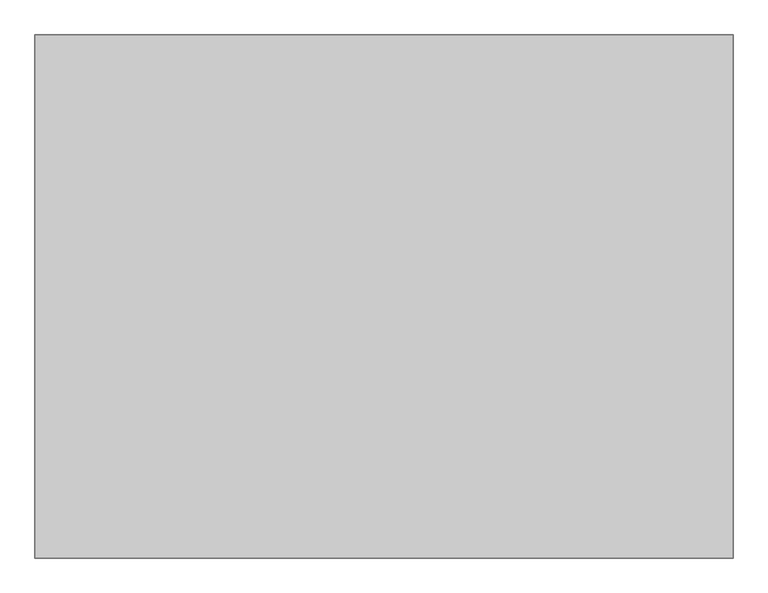
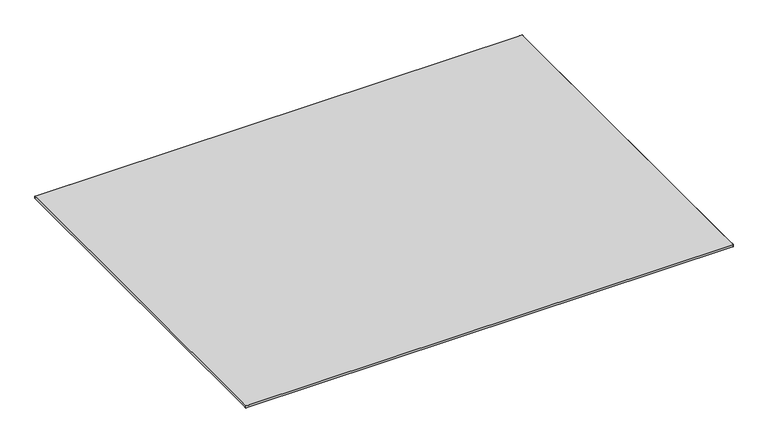
"""IFC4 building model written with IfcOpenShell, lengths in millimetres: furniture geometry."""

from ifc_helpers import new_model, si_unit, origin, place, context, project, spatial, triangles, source, transform, mapped, element, save


def furniture_7b6972e7(model_context):
    return source(origin(), model_context, "Body", "Tessellation", [
        triangles([(-1219.2, 761.9999273, 2.5400001), (-1219.2, -762.0, 2.5400001), (1219.2, -761.9999273, 2.5400001), (1219.2, 762.0, 2.5400001)], [[1, 2, 3], [1, 3, 4]], closed=False),
        triangles([(1813.5907539, -1371.5998547, 17.7892814), (1828.8001453, -1371.5998547, 17.7892814), (1828.8001453, -1337.5155979, 17.7892814), (1813.5907539, -1337.5155979, 17.7892814), (-1828.7998547, -1371.6001453, 17.7892814), (-1813.5904633, -1371.6001453, 17.7892814), (-1813.5904633, -1337.5157433, 17.7892814), (-1828.7998547, -1337.5157433, 17.7892814), (-1813.5907539, 1371.5998547, 17.7892814), (-1828.8001453, 1371.5998547, 17.7892814), (-1828.8001453, 1337.5155979, 17.7892814), (-1813.5907539, 1337.5155979, 17.7892814), (1813.5904633, 1337.5157433, 17.7892814), (1813.5906086, -1371.5998547, 0.0), (-1813.5904633, -1371.6001453, 0.0), (1828.7998547, 1337.5158886, 0.0), (1828.7998547, 1337.5157433, 17.7892814), (1828.8001453, -1337.5154526, 0.0), (-1813.5906086, 1371.5998547, 0.0), (1813.5904633, 1371.6001453, 17.7892814), (1813.5904633, 1371.6001453, 0.0), (-1828.7998547, -1337.5158886, 0.0), (-1828.8001453, 1337.5154526, 0.0), (1828.8001453, -1371.5998547, 0.0), (-1828.7998547, -1371.6001453, 0.0), (-1828.8001453, 1371.5998547, 0.0), (1828.7998547, 1371.6001453, 17.7892814), (1828.7998547, 1371.6001453, 0.0)], [[1, 2, 3], [3, 4, 1], [5, 6, 7], [7, 8, 5], [9, 10, 11], [11, 12, 9], [13, 12, 7], [7, 4, 13], [14, 1, 6], [6, 15, 14], [16, 17, 3], [3, 18, 16], [19, 9, 20], [20, 21, 19], [22, 8, 11], [11, 23, 22], [17, 13, 4], [4, 3, 17], [8, 7, 12], [12, 11, 8], [24, 2, 1], [1, 14, 24], [5, 25, 15], [15, 6, 5], [26, 10, 9], [9, 19, 26], [27, 28, 21], [21, 20, 27], [20, 9, 12], [12, 13, 20], [6, 1, 4], [4, 7, 6], [28, 27, 17], [17, 16, 28], [2, 24, 18], [18, 3, 2], [25, 5, 8], [8, 22, 25], [10, 26, 23], [23, 11, 10], [27, 20, 13], [13, 17, 27]], closed=False),
    ])


if __name__ == "__main__":
    model = new_model("IFC4")
    model_context = context("Model", 3, world=origin())
    ifc_project = project(units=[si_unit("LENGTHUNIT", "METRE", prefix="MILLI")], contexts=[model_context])
    site = spatial("IfcSite", under=ifc_project)
    building = spatial("IfcBuilding", under=site)
    placement = place(None, origin())
    furniture_shape = furniture_7b6972e7(model_context)
    element("IfcFurniture", 1, at=placement, inside=building, context=model_context, shape_type="MappedRepresentation", body=[
        mapped(furniture_shape, transform((0.0, 0.0, 0.0), x_axis=(1.0, 0.0, 0.0), y_axis=(0.0, 1.0, 0.0), z_axis=(0.0, 0.0, 1.0))),
    ])
    save(model, "model.ifc")
